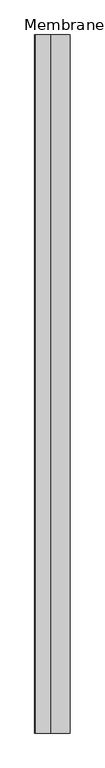
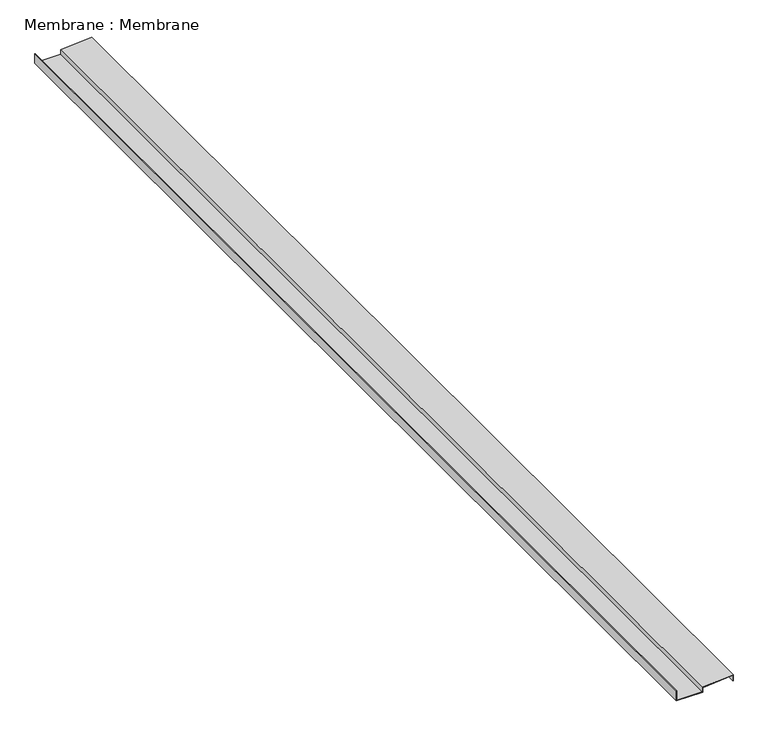
"""IFC4 building model written with IfcOpenShell, lengths in millimetres: proxy geometry, Membrane : Membrane."""

from ifc_helpers import new_model, si_unit, frame, origin, place, context, project, spatial, polyline, outline, extrude, source, transform, mapped, element, save


def membrane_membrane_565c25cb(model_context):
    return source(origin(), model_context, "Body", "SweptSolid", [
        extrude(outline(polyline([(4165.0291173, 38242.8836708), (4149.1204916, 38061.2592323), (4120.9768348, 38061.2592323), (4120.9768348, 37912.5234375), (4179.0516044, 37912.5234375), (4179.0516044, 37910.0710168), (4118.5244141, 37910.0710168), (4118.5244141, 38063.711653), (4146.8734906, 38063.711653), (4162.3524975, 38240.4312501), (4127.3762852, 38240.4312501), (4127.3762852, 38242.8836708), (4165.0291173, 38242.8836708)])), frame((0.0, -25196.3529893, 0.0), z_axis=(0.0, 1.0, 0.0), x_axis=(0.0, 0.0, 1.0)), (0.0, 0.0, 1.0), 6533.92),
    ])


if __name__ == "__main__":
    model = new_model("IFC4")
    model_context = context("Model", 3, world=origin())
    ifc_project = project(units=[si_unit("LENGTHUNIT", "METRE", prefix="MILLI")], contexts=[model_context])
    site = spatial("IfcSite", under=ifc_project)
    building = spatial("IfcBuilding", under=site)
    placement = place(None, origin())
    membrane_membrane_shape = membrane_membrane_565c25cb(model_context)
    element("IfcBuildingElementProxy", 1, Name="Membrane : Membrane", ObjectType="Membrane : Membrane", at=placement, inside=building, context=model_context, shape_type="MappedRepresentation", body=[
        mapped(membrane_membrane_shape, transform((0.0, 0.0, 0.0), x_axis=(1.0, 0.0, 0.0), y_axis=(0.0, 1.0, 0.0), z_axis=(0.0, 0.0, 1.0))),
    ])
    save(model, "model.ifc")
